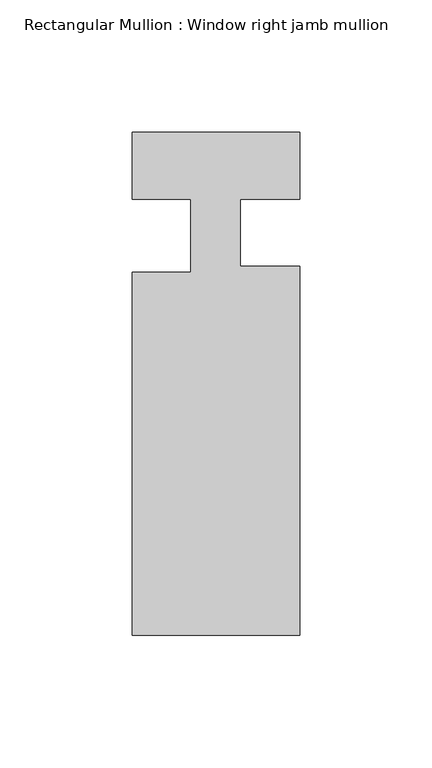
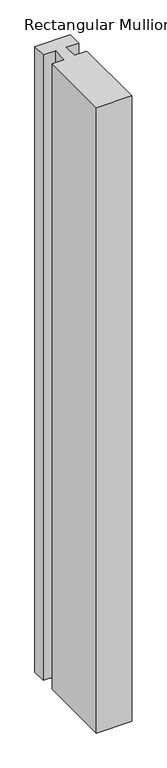
"""IFC4 building model written with IfcOpenShell, lengths in millimetres: member geometry, Rectangular Mullion : Window right jamb mullion."""

import ifcopenshell
import ifcopenshell.guid

model = None  # the IFC model being written
_history = None  # IfcOwnerHistory: only IFC2X3 demands one
_inside = {}  # id of a spatial element -> (the spatial element, [elements in it])
_under = {}  # id of a project, library or spatial element -> (it, [spatial elements below it])
_declared = {}  # id of a project -> (the project, [libraries it declares])
_typed = {}  # id of a type object -> (the type object, [elements of that type])
_made_of = {}  # id of a material, layer set ... -> (it, [elements and type objects made of it])


def new_model(schema):
    """Start an empty IFC model of exactly this schema.

    Asked for "IFC4X3", IfcOpenShell would pick the latest addendum, in which some entities
    have other attributes; the version numbers below select the first issue.
    IFC2X3 requires an IfcOwnerHistory on every rooted entity: one is made here for all.
    """
    global model, _history
    if schema == "IFC4X3":
        model = ifcopenshell.file(schema_version=(4, 3, 0, 0))
    else:
        model = ifcopenshell.file(schema=schema)
    _inside.clear()
    _under.clear()
    _declared.clear()
    _typed.clear()
    _made_of.clear()
    _history = None
    if model.schema == "IFC2X3":
        org = make("IfcOrganization", Name="unknown")
        user = make(
            "IfcPersonAndOrganization",
            ThePerson=make("IfcPerson", FamilyName="unknown"),
            TheOrganization=org,
        )
        app = make(
            "IfcApplication",
            ApplicationDeveloper=org,
            Version="unknown",
            ApplicationFullName="unknown",
            ApplicationIdentifier="unknown",
        )
        _history = make(
            "IfcOwnerHistory",
            OwningUser=user,
            OwningApplication=app,
            ChangeAction="ADDED",
            CreationDate=0,
        )
    return model


def make(cls, **values):
    """One entity of the class cls with the attributes given. An attribute that is None is left unset."""
    return model.create_entity(
        cls, **{name: value for name, value in values.items() if value is not None}
    )


def rooted(cls, **values):
    """An entity with a GlobalId (a new one), such as an element, a storey or a relation."""
    return make(cls, GlobalId=ifcopenshell.guid.new(), OwnerHistory=_history, **values)


def si_unit(unit_type, name, prefix=None):
    """IfcSIUnit, for example si_unit("LENGTHUNIT", "METRE", prefix="MILLI")."""
    return make("IfcSIUnit", UnitType=unit_type, Prefix=prefix, Name=name)


def assignment(units):
    """IfcUnitAssignment: the units of a project."""
    return None if units is None else make("IfcUnitAssignment", Units=units)


def point(xyz):
    """IfcCartesianPoint."""
    return None if xyz is None else make("IfcCartesianPoint", Coordinates=xyz)


def direction(xyz):
    """IfcDirection."""
    return None if xyz is None else make("IfcDirection", DirectionRatios=xyz)


def frame(location, z_axis=None, x_axis=None):
    """IfcAxis2Placement3D, a coordinate frame: its origin and axes. An axis left out is left unset."""
    return make(
        "IfcAxis2Placement3D",
        Location=point(location),
        Axis=direction(z_axis),
        RefDirection=direction(x_axis),
    )


def origin():
    """The frame at (0, 0, 0) with its axes left unset."""
    return frame((0.0, 0.0, 0.0))


def place(relative_to, where):
    """IfcLocalPlacement: puts the frame where relative to a parent placement (None: the world)."""
    return make(
        "IfcLocalPlacement", PlacementRelTo=relative_to, RelativePlacement=where
    )


def context(
    kind, dimensions, precision=None, world=None, true_north=None, identifier=None
):
    """IfcGeometricRepresentationContext, for example the 3D "Model" context."""
    return make(
        "IfcGeometricRepresentationContext",
        ContextIdentifier=identifier,
        ContextType=kind,
        CoordinateSpaceDimension=dimensions,
        Precision=precision,
        WorldCoordinateSystem=world,
        TrueNorth=true_north,
    )


def project(units=None, contexts=None):
    """IfcProject with its units and contexts."""
    return rooted(
        "IfcProject",
        Name="project",
        RepresentationContexts=contexts,
        UnitsInContext=assignment(units),
    )


def spatial(cls, under=None, at=None, **own):
    """A site, building, storey or space (cls), placed at a placement, below another one or the project."""
    s = rooted(cls, ObjectPlacement=at, **own)
    if under is not None:
        _under.setdefault(under.id(), (under, []))[1].append(s)
    return s


def polyline(points):
    """IfcPolyline through the points."""
    return make("IfcPolyline", Points=[point(p) for p in points])


def outline(outer, holes=None, kind="AREA"):
    """IfcArbitraryClosedProfileDef: a profile drawn as a closed curve; with holes, ...WithVoids."""
    if holes is None:
        return make("IfcArbitraryClosedProfileDef", ProfileType=kind, OuterCurve=outer)
    return make(
        "IfcArbitraryProfileDefWithVoids",
        ProfileType=kind,
        OuterCurve=outer,
        InnerCurves=holes,
    )


def extrude(swept, where, along, depth):
    """IfcExtrudedAreaSolid: the profile swept, set in the frame where, extruded along a direction by depth."""
    return make(
        "IfcExtrudedAreaSolid",
        SweptArea=swept,
        Position=where,
        ExtrudedDirection=direction(along),
        Depth=depth,
    )


def shape(context_of_items, identifier, shape_type, items):
    """IfcShapeRepresentation: the items that make up one representation, for example the "Body"."""
    return make(
        "IfcShapeRepresentation",
        ContextOfItems=context_of_items,
        RepresentationIdentifier=identifier,
        RepresentationType=shape_type,
        Items=items,
    )


def source(mapping_origin, context_of_items, identifier, shape_type, items):
    """IfcRepresentationMap: a shape defined once, which mapped items show again and again."""
    return make(
        "IfcRepresentationMap",
        MappingOrigin=mapping_origin,
        MappedRepresentation=shape(context_of_items, identifier, shape_type, items),
    )


def transform(
    local_origin,
    x_axis=None,
    y_axis=None,
    z_axis=None,
    scale=None,
    scale2=None,
    scale3=None,
    uniform=True,
):
    """IfcCartesianTransformationOperator3D, or its non-uniform kind. x_axis, y_axis, z_axis: its Axis1, 2, 3."""
    if uniform:
        return make(
            "IfcCartesianTransformationOperator3D",
            Axis1=direction(x_axis),
            Axis2=direction(y_axis),
            LocalOrigin=point(local_origin),
            Scale=scale,
            Axis3=direction(z_axis),
        )
    return make(
        "IfcCartesianTransformationOperator3DnonUniform",
        Axis1=direction(x_axis),
        Axis2=direction(y_axis),
        LocalOrigin=point(local_origin),
        Scale=scale,
        Axis3=direction(z_axis),
        Scale2=scale2,
        Scale3=scale3,
    )


def mapped(mapping_source, mapping_target):
    """IfcMappedItem: shows the shape of a source again, moved by a transform."""
    return make(
        "IfcMappedItem", MappingSource=mapping_source, MappingTarget=mapping_target
    )


def made_of(thing, what):
    """Note that an element or type object is made of a material, layer set ...; save() writes the relation."""
    if what is not None:
        _made_of.setdefault(what.id(), (what, []))[1].append(thing)
    return thing


def element(
    cls,
    number,
    at=None,
    inside=None,
    cuts=None,
    type_object=None,
    material=None,
    context=None,
    identifier="Body",
    shape_type=None,
    held_by="IfcProductDefinitionShape",
    body=None,
    shapes=None,
    **own,
):
    """One element of the class cls, such as IfcWall. Its Tag is "e" and its number.

    at: its placement. inside: the storey or other place that contains it. cuts: it is an
    opening in that element (IfcRelVoidsElement). A single representation is given by context,
    identifier, shape_type and body (its items); several are given by shapes. held_by: the class
    of the entity that holds the representations. save() writes the other relations.
    """
    e = rooted(cls, Tag="e%d" % number, ObjectPlacement=at, **own)
    if body is not None:
        shapes = [shape(context, identifier, shape_type, body)]
    if shapes is not None:
        e.Representation = make(held_by, Representations=shapes)
    if inside is not None:
        _inside.setdefault(inside.id(), (inside, []))[1].append(e)
    if cuts is not None:
        rooted(
            "IfcRelVoidsElement", RelatingBuildingElement=cuts, RelatedOpeningElement=e
        )
    if type_object is not None:
        _typed.setdefault(type_object.id(), (type_object, []))[1].append(e)
    return made_of(e, material)


def aggregate(whole, parts):
    """IfcRelAggregates: a whole, such as a stair, and the parts it consists of."""
    return rooted("IfcRelAggregates", RelatingObject=whole, RelatedObjects=parts)


def save(model, path):
    """Write the relations noted so far, then the file.

    IfcRelAggregates (storeys below a building ...), IfcRelContainedInSpatialStructure (elements
    in a storey), IfcRelDefinesByType, IfcRelAssociatesMaterial and IfcRelDeclares: one each for
    every whole, place, type object, material and project.
    """
    for whole, parts in _under.values():
        aggregate(whole, parts)
    for where, things in _inside.values():
        rooted(
            "IfcRelContainedInSpatialStructure",
            RelatedElements=things,
            RelatingStructure=where,
        )
    for kind, things in _typed.values():
        rooted("IfcRelDefinesByType", RelatedObjects=things, RelatingType=kind)
    for what, things in _made_of.values():
        rooted("IfcRelAssociatesMaterial", RelatedObjects=things, RelatingMaterial=what)
    for by, libraries in _declared.values():
        rooted("IfcRelDeclares", RelatingContext=by, RelatedDefinitions=libraries)
    model.write(path)


def rectangular_mullion_window_right_jamb_mullion_ba9dffda(model_context):
    return source(origin(), model_context, "Body", "SweptSolid", [
        extrude(outline(polyline([(-31.765875, -165.11587), (-31.765875, -27.701875), (-9.540875, -27.701875), (-9.540875, -0.0051552), (-31.75, -0.0051552), (-31.75, 25.4), (31.75, 25.4), (31.75, -0.0050068), (9.0932008, -0.0050068), (9.0932008, -25.4156549), (31.75, -25.4156549), (31.75, -165.11587), (-31.765875, -165.11587)])), frame((0.0, 0.0, -1182.6875), z_axis=(0.0, 0.0, 1.0), x_axis=(1.0, 0.0, 0.0)), (0.0, 0.0, 1.0), 1182.6875),
    ])


if __name__ == "__main__":
    model = new_model("IFC4")
    model_context = context("Model", 3, world=origin())
    ifc_project = project(units=[si_unit("LENGTHUNIT", "METRE", prefix="MILLI")], contexts=[model_context])
    site = spatial("IfcSite", under=ifc_project)
    building = spatial("IfcBuilding", under=site)
    placement = place(None, origin())
    rectangular_mullion_window_right_jamb_mullion_shape = rectangular_mullion_window_right_jamb_mullion_ba9dffda(model_context)
    element("IfcMember", 1, ObjectType="Rectangular Mullion : Window right jamb mullion", at=placement, inside=building, context=model_context, shape_type="MappedRepresentation", body=[
        mapped(rectangular_mullion_window_right_jamb_mullion_shape, transform((0.0, 0.0, 0.0), x_axis=(1.0, 0.0, 0.0), y_axis=(0.0, 1.0, 0.0), z_axis=(0.0, 0.0, 1.0))),
    ])
    save(model, "model.ifc")
